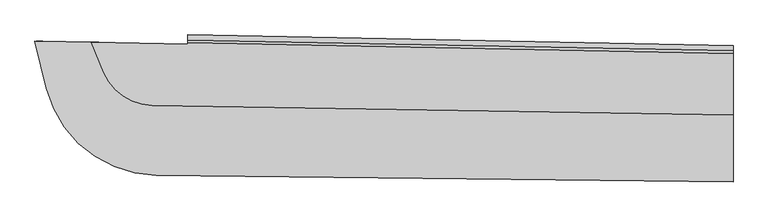
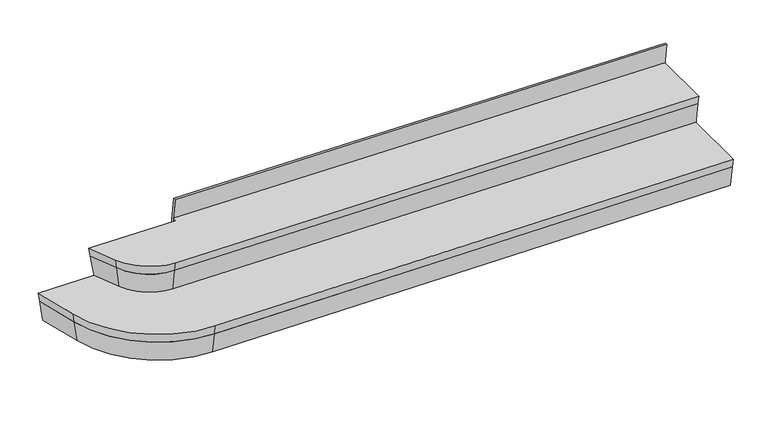
"""IFC4 building model written with IfcOpenShell, lengths in millimetres: stair flight geometry."""

import ifcopenshell
import ifcopenshell.guid

model = None  # the IFC model being written
_history = None  # IfcOwnerHistory: only IFC2X3 demands one
_inside = {}  # id of a spatial element -> (the spatial element, [elements in it])
_under = {}  # id of a project, library or spatial element -> (it, [spatial elements below it])
_declared = {}  # id of a project -> (the project, [libraries it declares])
_typed = {}  # id of a type object -> (the type object, [elements of that type])
_made_of = {}  # id of a material, layer set ... -> (it, [elements and type objects made of it])


def new_model(schema):
    """Start an empty IFC model of exactly this schema.

    Asked for "IFC4X3", IfcOpenShell would pick the latest addendum, in which some entities
    have other attributes; the version numbers below select the first issue.
    IFC2X3 requires an IfcOwnerHistory on every rooted entity: one is made here for all.
    """
    global model, _history
    if schema == "IFC4X3":
        model = ifcopenshell.file(schema_version=(4, 3, 0, 0))
    else:
        model = ifcopenshell.file(schema=schema)
    _inside.clear()
    _under.clear()
    _declared.clear()
    _typed.clear()
    _made_of.clear()
    _history = None
    if model.schema == "IFC2X3":
        org = make("IfcOrganization", Name="unknown")
        user = make(
            "IfcPersonAndOrganization",
            ThePerson=make("IfcPerson", FamilyName="unknown"),
            TheOrganization=org,
        )
        app = make(
            "IfcApplication",
            ApplicationDeveloper=org,
            Version="unknown",
            ApplicationFullName="unknown",
            ApplicationIdentifier="unknown",
        )
        _history = make(
            "IfcOwnerHistory",
            OwningUser=user,
            OwningApplication=app,
            ChangeAction="ADDED",
            CreationDate=0,
        )
    return model


def make(cls, **values):
    """One entity of the class cls with the attributes given. An attribute that is None is left unset."""
    return model.create_entity(
        cls, **{name: value for name, value in values.items() if value is not None}
    )


def rooted(cls, **values):
    """An entity with a GlobalId (a new one), such as an element, a storey or a relation."""
    return make(cls, GlobalId=ifcopenshell.guid.new(), OwnerHistory=_history, **values)


def si_unit(unit_type, name, prefix=None):
    """IfcSIUnit, for example si_unit("LENGTHUNIT", "METRE", prefix="MILLI")."""
    return make("IfcSIUnit", UnitType=unit_type, Prefix=prefix, Name=name)


def assignment(units):
    """IfcUnitAssignment: the units of a project."""
    return None if units is None else make("IfcUnitAssignment", Units=units)


def point(xyz):
    """IfcCartesianPoint."""
    return None if xyz is None else make("IfcCartesianPoint", Coordinates=xyz)


def direction(xyz):
    """IfcDirection."""
    return None if xyz is None else make("IfcDirection", DirectionRatios=xyz)


def frame(location, z_axis=None, x_axis=None):
    """IfcAxis2Placement3D, a coordinate frame: its origin and axes. An axis left out is left unset."""
    return make(
        "IfcAxis2Placement3D",
        Location=point(location),
        Axis=direction(z_axis),
        RefDirection=direction(x_axis),
    )


def origin():
    """The frame at (0, 0, 0) with its axes left unset."""
    return frame((0.0, 0.0, 0.0))


def place(relative_to, where):
    """IfcLocalPlacement: puts the frame where relative to a parent placement (None: the world)."""
    return make(
        "IfcLocalPlacement", PlacementRelTo=relative_to, RelativePlacement=where
    )


def context(
    kind, dimensions, precision=None, world=None, true_north=None, identifier=None
):
    """IfcGeometricRepresentationContext, for example the 3D "Model" context."""
    return make(
        "IfcGeometricRepresentationContext",
        ContextIdentifier=identifier,
        ContextType=kind,
        CoordinateSpaceDimension=dimensions,
        Precision=precision,
        WorldCoordinateSystem=world,
        TrueNorth=true_north,
    )


def project(units=None, contexts=None):
    """IfcProject with its units and contexts."""
    return rooted(
        "IfcProject",
        Name="project",
        RepresentationContexts=contexts,
        UnitsInContext=assignment(units),
    )


def spatial(cls, under=None, at=None, **own):
    """A site, building, storey or space (cls), placed at a placement, below another one or the project."""
    s = rooted(cls, ObjectPlacement=at, **own)
    if under is not None:
        _under.setdefault(under.id(), (under, []))[1].append(s)
    return s


def polyline(points):
    """IfcPolyline through the points."""
    return make("IfcPolyline", Points=[point(p) for p in points])


def circle_curve(where, radius):
    """IfcCircle in the frame where."""
    return make("IfcCircle", Position=where, Radius=radius)


def faces_of(points, faces, orient=None, outer=None):
    """IfcFace entities. A face is a list of loops; a loop is a list of indices into points, from 0.

    orient and outer hold one flag for each loop. By default every Orientation is true, the
    first loop of a face is its IfcFaceOuterBound and the others are IfcFaceBound.
    """
    made = []
    for i, loops in enumerate(faces):
        bounds = []
        for j, loop in enumerate(loops):
            is_outer = j == 0 if outer is None else outer[i][j]
            bounds.append(
                make(
                    "IfcFaceOuterBound" if is_outer else "IfcFaceBound",
                    Bound=make("IfcPolyLoop", Polygon=[points[k] for k in loop]),
                    Orientation=True if orient is None else orient[i][j],
                )
            )
        made.append(make("IfcFace", Bounds=bounds))
    return made


def faceted_brep(points, faces, orient=None, outer=None, voids=None):
    """IfcFacetedBrep: a solid bounded by flat faces; with voids (closed shells), ...WithVoids."""
    shared = [point(p) for p in points]
    hull = make("IfcClosedShell", CfsFaces=faces_of(shared, faces, orient, outer))
    if voids is None:
        return make("IfcFacetedBrep", Outer=hull)
    return make(
        "IfcFacetedBrepWithVoids",
        Outer=hull,
        Voids=[
            make(cls, CfsFaces=faces_of(shared, fs, o, b)) for cls, fs, o, b in voids
        ],
    )


def shape(context_of_items, identifier, shape_type, items):
    """IfcShapeRepresentation: the items that make up one representation, for example the "Body"."""
    return make(
        "IfcShapeRepresentation",
        ContextOfItems=context_of_items,
        RepresentationIdentifier=identifier,
        RepresentationType=shape_type,
        Items=items,
    )


def source(mapping_origin, context_of_items, identifier, shape_type, items):
    """IfcRepresentationMap: a shape defined once, which mapped items show again and again."""
    return make(
        "IfcRepresentationMap",
        MappingOrigin=mapping_origin,
        MappedRepresentation=shape(context_of_items, identifier, shape_type, items),
    )


def transform(
    local_origin,
    x_axis=None,
    y_axis=None,
    z_axis=None,
    scale=None,
    scale2=None,
    scale3=None,
    uniform=True,
):
    """IfcCartesianTransformationOperator3D, or its non-uniform kind. x_axis, y_axis, z_axis: its Axis1, 2, 3."""
    if uniform:
        return make(
            "IfcCartesianTransformationOperator3D",
            Axis1=direction(x_axis),
            Axis2=direction(y_axis),
            LocalOrigin=point(local_origin),
            Scale=scale,
            Axis3=direction(z_axis),
        )
    return make(
        "IfcCartesianTransformationOperator3DnonUniform",
        Axis1=direction(x_axis),
        Axis2=direction(y_axis),
        LocalOrigin=point(local_origin),
        Scale=scale,
        Axis3=direction(z_axis),
        Scale2=scale2,
        Scale3=scale3,
    )


def mapped(mapping_source, mapping_target):
    """IfcMappedItem: shows the shape of a source again, moved by a transform."""
    return make(
        "IfcMappedItem", MappingSource=mapping_source, MappingTarget=mapping_target
    )


def made_of(thing, what):
    """Note that an element or type object is made of a material, layer set ...; save() writes the relation."""
    if what is not None:
        _made_of.setdefault(what.id(), (what, []))[1].append(thing)
    return thing


def element(
    cls,
    number,
    at=None,
    inside=None,
    cuts=None,
    type_object=None,
    material=None,
    context=None,
    identifier="Body",
    shape_type=None,
    held_by="IfcProductDefinitionShape",
    body=None,
    shapes=None,
    **own,
):
    """One element of the class cls, such as IfcWall. Its Tag is "e" and its number.

    at: its placement. inside: the storey or other place that contains it. cuts: it is an
    opening in that element (IfcRelVoidsElement). A single representation is given by context,
    identifier, shape_type and body (its items); several are given by shapes. held_by: the class
    of the entity that holds the representations. save() writes the other relations.
    """
    e = rooted(cls, Tag="e%d" % number, ObjectPlacement=at, **own)
    if body is not None:
        shapes = [shape(context, identifier, shape_type, body)]
    if shapes is not None:
        e.Representation = make(held_by, Representations=shapes)
    if inside is not None:
        _inside.setdefault(inside.id(), (inside, []))[1].append(e)
    if cuts is not None:
        rooted(
            "IfcRelVoidsElement", RelatingBuildingElement=cuts, RelatedOpeningElement=e
        )
    if type_object is not None:
        _typed.setdefault(type_object.id(), (type_object, []))[1].append(e)
    return made_of(e, material)


def aggregate(whole, parts):
    """IfcRelAggregates: a whole, such as a stair, and the parts it consists of."""
    return rooted("IfcRelAggregates", RelatingObject=whole, RelatedObjects=parts)


def save(model, path):
    """Write the relations noted so far, then the file.

    IfcRelAggregates (storeys below a building ...), IfcRelContainedInSpatialStructure (elements
    in a storey), IfcRelDefinesByType, IfcRelAssociatesMaterial and IfcRelDeclares: one each for
    every whole, place, type object, material and project.
    """
    for whole, parts in _under.values():
        aggregate(whole, parts)
    for where, things in _inside.values():
        rooted(
            "IfcRelContainedInSpatialStructure",
            RelatedElements=things,
            RelatingStructure=where,
        )
    for kind, things in _typed.values():
        rooted("IfcRelDefinesByType", RelatedObjects=things, RelatingType=kind)
    for what, things in _made_of.values():
        rooted("IfcRelAssociatesMaterial", RelatedObjects=things, RelatingMaterial=what)
    for by, libraries in _declared.values():
        rooted("IfcRelDeclares", RelatingContext=by, RelatedDefinitions=libraries)
    model.write(path)


def plane_surface(at):
    """IfcPlane: the flat surface through the origin of the frame at, square to its z axis."""
    return make("IfcPlane", Position=at)


def revolved_surface(curve, axis_point, axis_direction):
    """IfcSurfaceOfRevolution: the curve turned about the line through axis_point along axis_direction."""
    return make(
        "IfcSurfaceOfRevolution",
        SweptCurve=make("IfcArbitraryOpenProfileDef", ProfileType="CURVE", Curve=curve),
        AxisPosition=make("IfcAxis1Placement", Location=point(axis_point), Axis=direction(axis_direction)),
    )


def advanced_brep(points, edges, surfaces, faces):
    """IfcAdvancedBrep: a solid bounded by faces that lie on surfaces and meet in shared edges.

    An edge is (start, end): straight between two places in points (the first is 0);
    or (start, end, curve); or (start, end, curve, False) where it runs against its curve.
    A face is (place in surfaces, loops), or (place, loops, False) where it looks against
    its surface's normal. A loop lists edges by number (the first is 1), with a minus sign
    where the edge is run from its end to its start. The first loop is the outer one.
    """
    corners = [point(p) for p in points]
    vertices = [make("IfcVertexPoint", VertexGeometry=c) for c in corners]
    made = []
    for start, end, *more in edges:
        made.append(
            make(
                "IfcEdgeCurve",
                EdgeStart=vertices[start],
                EdgeEnd=vertices[end],
                EdgeGeometry=more[0] if more else make("IfcPolyline", Points=[corners[start], corners[end]]),
                SameSense=more[1] if len(more) > 1 else True,
            )
        )
    hull = []
    for where, loops, *sense in faces:
        bounds = []
        for j, loop in enumerate(loops):
            ring = [make("IfcOrientedEdge", EdgeElement=made[abs(k) - 1], Orientation=k > 0) for k in loop]
            bounds.append(
                make(
                    "IfcFaceOuterBound" if j == 0 else "IfcFaceBound",
                    Bound=make("IfcEdgeLoop", EdgeList=ring),
                    Orientation=True,
                )
            )
        hull.append(make("IfcAdvancedFace", Bounds=bounds, FaceSurface=surfaces[where], SameSense=sense[0] if sense else True))
    return make("IfcAdvancedBrep", Outer=make("IfcClosedShell", CfsFaces=hull))


def stair_flight_8262411b(model_context):
    return source(origin(), model_context, "Body", "SolidModel", [
        advanced_brep(
        [(3116.475141, -21333.6972837, -2319.8333333), (3116.475141, -21326.1962375, -2369.8333333), (274.6327813, -21278.7267637, -2369.8333333), (274.5075205, -21286.2257176, -2319.8333333), (68.2497647, -21138.3189759, -2369.8333333), (61.3206682, -21141.1891017, -2319.8333333), (11.944227, -21002.3853832, -2369.8333333), (3.7590533, -21002.2230703, -2319.8333333), (-299.3478543, -20996.2124278, -2319.8333333), (-242.7511005, -21226.767907, -2319.8333333), (294.4006767, -21653.2227163, -2319.8333333), (3116.475141, -21686.9968157, -2319.8333333), (3116.475141, -21679.4962786, -2369.8333333), (294.4904289, -21645.7232534, -2369.8333333), (-235.4673513, -21224.9798924, -2369.8333333), (-291.5874062, -20996.3663183, -2369.8333333)],
        [
            (0, 1),
            (1, 2),
            (2, 3),
            (3, 0),
            (2, 4, circle_curve(frame((278.4323584, -21051.2584951, -2369.8333333), z_axis=(0.0, 0.0, -1.0), x_axis=(-0.016701437591340063, -0.9998605212640324, 0.0)), 227.5)),
            (4, 5),
            (5, 3, circle_curve(frame((278.4323584, -21051.2584951, -2319.8333333), z_axis=(0.0, 0.0, 1.0), x_axis=(-0.016701437591340063, -0.9998605212640324, 0.0)), 235.0)),
            (4, 6),
            (6, 7),
            (7, 5),
            (7, 8),
            (8, 9),
            (9, 10, circle_curve(frame((301.10218, -21093.2628161, -2319.8333333), z_axis=(0.0, 0.0, 1.0), x_axis=(-0.011966970165477736, -0.9999283932487659, 0.0)), 560.0)),
            (10, 11),
            (11, 0),
            (1, 12),
            (12, 13),
            (13, 14, circle_curve(frame((301.10218, -21093.2628161, -2369.8333333), z_axis=(0.0, 0.0, -1.0), x_axis=(-0.011966970165477736, -0.9999283932487659, 0.0)), 552.5)),
            (14, 15),
            (15, 6),
            (15, 8),
            (11, 12),
            (14, 9),
            (10, 13),
        ],
        [
            plane_surface(frame((3116.475141, -21326.1962375, -2369.8333333), z_axis=(0.01651665877924269, 0.9887984172758469, 0.14834045293024464), x_axis=(-0.9998605212640324, 0.01670143759134549, 0.0))),
            revolved_surface(polyline([(274.6327813, -21278.7267637, -2369.8333333), (274.5075205, -21286.2257176, -2319.8333333)]), (278.4323584, -21051.2584951, -2319.8333333), (0.0, 0.0, -1.0)),
            plane_surface(frame((68.2497647, -21138.3189759, -2369.8333333), z_axis=(0.9136580553713868, 0.37844955790623663, 0.14834045293024464), x_axis=(-0.3826834323650725, 0.923879532511294, 0.0))),
            plane_surface(frame((447.8390625, -21011.0292247, -2319.8333333), z_axis=(0.0, 0.0, 1.0), x_axis=(-0.9998034413854697, 0.01982620976817191, 0.0))),
            plane_surface(frame((447.8390625, -21011.0292247, -2369.8333333), z_axis=(0.0, 0.0, -1.0), x_axis=(0.9998034413854697, -0.01982620976817191, 0.0))),
            plane_surface(frame((3.7590533, -21002.2230703, -2319.8333333), z_axis=(0.01982620976817191, 0.9998034413854697, 0.0), x_axis=(0.0, 0.0, -1.0))),
            plane_surface(frame((3116.475141, -21686.9968157, -2319.8333333), z_axis=(1.0, 0.0, 0.0), x_axis=(0.0, 0.0, -1.0))),
            plane_surface(frame((-235.4673513, -21224.9798924, -2369.8333333), z_axis=(-0.9604219280620687, -0.23576435295011966, -0.14834045293024464), x_axis=(-0.23840194797805941, 0.9711665723243705, 0.0))),
            plane_surface(frame((3116.475141, -21679.4962786, -2369.8333333), z_axis=(-0.011834571830338052, -0.9888655383488912, -0.14834045293024467), x_axis=(-0.9999283932487658, 0.011966970165484585, 0.0))),
            revolved_surface(polyline([(294.4006767, -21653.2227163, -2319.8333333), (294.4904289, -21645.7232534, -2369.8333333)]), (301.10218, -21093.2628161, -2319.8333333), (0.0, 0.0, -1.0)),
        ],
        [
            (0, [[1, 2, 3, 4]]),
            (1, [[-3, 5, 6, 7]]),
            (2, [[-6, 8, 9, 10]]),
            (3, [[11, 12, 13, 14, 15, -4, -7, -10]]),
            (4, [[-2, 16, 17, 18, 19, 20, -8, -5]]),
            (5, [[-11, -9, -20, 21]]),
            (6, [[-15, 22, -16, -1]]),
            (7, [[23, -12, -21, -19]]),
            (8, [[24, -17, -22, -14]]),
            (9, [[-24, -13, -23, -18]]),
        ],
    ),
        advanced_brep(
        [(-291.5874062, -20996.3663183, -2369.8333333), (-277.9854758, -20996.636046, -2369.8333333), (-259.8777635, -20996.9951239, -2486.5), (-273.4796939, -20996.7253962, -2486.5), (-218.4719362, -21220.8078583, -2486.5), (-235.4673513, -21224.9798924, -2369.8333333), (-205.7055278, -21217.6739606, -2486.5), (-222.7009428, -21221.8459947, -2369.8333333), (3116.475141, -21679.4962786, -2369.8333333), (3116.475141, -21661.9950254, -2486.5), (3116.475141, -21648.8486476, -2486.5), (3116.475141, -21666.3499008, -2369.8333333), (294.4904289, -21645.7232534, -2369.8333333), (294.6998509, -21628.2245065, -2486.5), (294.857162, -21615.0800113, -2486.5), (294.64774, -21632.5787582, -2369.8333333)],
        [
            (0, 1),
            (1, 2),
            (2, 3),
            (3, 0),
            (4, 5),
            (5, 0),
            (3, 4),
            (6, 4),
            (2, 6),
            (7, 6),
            (1, 7),
            (5, 7),
            (8, 9),
            (9, 10),
            (10, 11),
            (11, 8),
            (8, 12),
            (12, 13),
            (13, 9),
            (13, 14),
            (14, 10),
            (14, 15),
            (15, 11),
            (15, 12),
            (4, 13, circle_curve(frame((301.10218, -21093.2628161, -2486.5), z_axis=(0.0, 0.0, 1.0), x_axis=(-0.011966970165477736, -0.9999283932487659, 0.0)), 535.0)),
            (12, 5, circle_curve(frame((301.10218, -21093.2628161, -2369.8333333), z_axis=(0.0, 0.0, -1.0), x_axis=(-0.011966970165477736, -0.9999283932487659, 0.0)), 552.5)),
            (6, 14, circle_curve(frame((301.10218, -21093.2628161, -2486.5), z_axis=(0.0, 0.0, 1.0), x_axis=(-0.011966970165477736, -0.9999283932487659, 0.0)), 521.8545635)),
            (7, 15, circle_curve(frame((301.10218, -21093.2628161, -2369.8333333), z_axis=(0.0, 0.0, 1.0), x_axis=(-0.011966970165477736, -0.9999283932487659, 0.0)), 539.3545635)),
        ],
        [
            plane_surface(frame((-299.3478543, -20996.2124278, -2319.8333333), z_axis=(0.01982620976817191, 0.9998034413854697, 0.0), x_axis=(0.9998034413854697, -0.01982620976817191, 0.0))),
            plane_surface(frame((-235.4673513, -21224.9798924, -2369.8333333), z_axis=(-0.9604219280620679, -0.23576435295012266, -0.14834045293024467), x_axis=(-0.23840194797806244, 0.9711665723243698, 0.0))),
            plane_surface(frame((-218.4719362, -21220.8078583, -2486.5), z_axis=(0.0, 0.0, -1.0), x_axis=(-0.23840194797805686, 0.9711665723243711, 0.0))),
            plane_surface(frame((-205.7055278, -21217.6739606, -2486.5), z_axis=(0.9604219280620695, 0.23576435295011616, 0.14834045293024464), x_axis=(-0.23840194797805586, 0.9711665723243713, 0.0))),
            plane_surface(frame((-222.7009428, -21221.8459947, -2369.8333333), z_axis=(0.0, 0.0, 1.0), x_axis=(-0.23840194797805517, 0.9711665723243715, 0.0))),
            plane_surface(frame((3116.475141, -21686.9968157, -2319.8333333), z_axis=(1.0, 0.0, 0.0), x_axis=(0.0, 1.0, 0.0))),
            plane_surface(frame((3116.475141, -21679.4962786, -2369.8333333), z_axis=(-0.011834571830338052, -0.9888655383488912, -0.14834045293024467), x_axis=(-0.9999283932487658, 0.011966970165484585, 0.0))),
            plane_surface(frame((3116.475141, -21661.9950254, -2486.5), z_axis=(0.0, 0.0, -1.0), x_axis=(-0.9999283932487658, 0.01196697016548465, 0.0))),
            plane_surface(frame((3116.475141, -21648.8486476, -2486.5), z_axis=(0.011834571830337265, 0.9888655383488912, 0.14834045293024462), x_axis=(-0.9999283932487658, 0.011966970165483789, 0.0))),
            plane_surface(frame((3116.475141, -21666.3499008, -2369.8333333), z_axis=(0.0, 0.0, 1.0), x_axis=(-0.9999283932487658, 0.01196697016548372, 0.0))),
            revolved_surface(polyline([(294.4904289, -21645.7232534, -2369.8333333), (294.6998509, -21628.2245065, -2486.5)]), (301.10218, -21093.2628161, -2319.8333333), (0.0, 0.0, -1.0)),
            plane_surface(frame((301.10218, -21093.2628161, -2486.5), z_axis=(0.0, 0.0, -1.0000000000000002), x_axis=(-0.011966970165477736, -0.9999283932487659, 0.0))),
            revolved_surface(polyline([(294.857162, -21615.0800113, -2486.5), (294.64774, -21632.5787582, -2369.8333333)]), (301.10218, -21093.2628161, -2319.8333333), (0.0, 0.0, -1.0)),
            plane_surface(frame((301.10218, -21093.2628161, -2369.8333333), z_axis=(0.0, 0.0, 1.0000000000000002), x_axis=(-0.011966970165477736, -0.9999283932487659, 0.0))),
        ],
        [
            (0, [[1, 2, 3, 4]]),
            (1, [[5, 6, -4, 7]]),
            (2, [[8, -7, -3, 9]]),
            (3, [[10, -9, -2, 11]]),
            (4, [[12, -11, -1, -6]]),
            (5, [[13, 14, 15, 16]]),
            (6, [[-13, 17, 18, 19]]),
            (7, [[-14, -19, 20, 21]]),
            (8, [[-15, -21, 22, 23]]),
            (9, [[-16, -23, 24, -17]]),
            (10, [[25, -18, 26, -5]]),
            (11, [[27, -20, -25, -8]]),
            (12, [[28, -22, -27, -10]]),
            (13, [[-26, -24, -28, -12]]),
        ],
    ),
        advanced_brep(
        [(3116.475141, -21351.1997249, -2203.1666667), (3116.475141, -21326.1962375, -2369.8333333), (3116.475141, -21313.0489672, -2369.8333333), (3116.475141, -21338.0524547, -2203.1666667), (274.2152454, -21303.7232767, -2203.1666667), (274.6327813, -21278.7267637, -2369.8333333), (274.852329, -21265.5831607, -2369.8333333), (274.4347931, -21290.5796737, -2203.1666667), (68.2497647, -21138.3189759, -2369.8333333), (45.1527764, -21147.8860617, -2203.1666667), (80.3945644, -21133.2884352, -2369.8333333), (57.2975761, -21142.855521, -2203.1666667), (-15.3396853, -21001.8443403, -2203.1666667), (-0.9933278, -21002.1288301, -2203.1666667), (26.2905845, -21002.669873, -2369.8333333), (11.944227, -21002.3853832, -2369.8333333)],
        [
            (0, 1),
            (1, 2),
            (2, 3),
            (3, 0),
            (0, 4),
            (4, 5),
            (5, 1),
            (5, 6),
            (6, 2),
            (6, 7),
            (7, 3),
            (7, 4),
            (8, 5, circle_curve(frame((278.4323584, -21051.2584951, -2369.8333333), z_axis=(0.0, 0.0, 1.0), x_axis=(-0.016701437591340063, -0.9998605212640324, 0.0)), 227.5)),
            (4, 9, circle_curve(frame((278.4323584, -21051.2584951, -2203.1666667), z_axis=(0.0, 0.0, -1.0), x_axis=(-0.016701437591340063, -0.9998605212640324, 0.0)), 252.5)),
            (9, 8),
            (10, 6, circle_curve(frame((278.4323584, -21051.2584951, -2369.8333333), z_axis=(0.0, 0.0, 1.0), x_axis=(-0.016701437591340063, -0.9998605212640324, 0.0)), 214.3545635)),
            (8, 10),
            (11, 7, circle_curve(frame((278.4323584, -21051.2584951, -2203.1666667), z_axis=(0.0, 0.0, 1.0), x_axis=(-0.016701437591340063, -0.9998605212640324, 0.0)), 239.3545635)),
            (10, 11),
            (11, 9),
            (12, 13),
            (13, 14),
            (14, 15),
            (15, 12),
            (9, 12),
            (15, 8),
            (14, 10),
            (13, 11),
        ],
        [
            plane_surface(frame((3116.475141, -21358.7007711, -2153.1666667), z_axis=(1.0, 0.0, 0.0), x_axis=(0.0, 1.0, 0.0))),
            plane_surface(frame((3116.475141, -21351.1997249, -2203.1666667), z_axis=(-0.01651665877924296, -0.988798417275847, -0.14834045293024464), x_axis=(-0.9998605212640324, 0.016701437591345757, 0.0))),
            plane_surface(frame((3116.475141, -21326.1962375, -2369.8333333), z_axis=(0.0, 0.0, -1.0), x_axis=(-0.9998605212640322, 0.01670143759134701, 0.0))),
            plane_surface(frame((3116.475141, -21313.0489672, -2369.8333333), z_axis=(0.016516658779243524, 0.9887984172758469, 0.14834045293024464), x_axis=(-0.9998605212640324, 0.016701437591346333, 0.0))),
            plane_surface(frame((3116.475141, -21338.0524547, -2203.1666667), z_axis=(0.0, 0.0, 1.0), x_axis=(-0.9998605212640322, 0.016701437591346603, 0.0))),
            revolved_surface(polyline([(274.2152454, -21303.7232767, -2203.1666667), (274.6327813, -21278.7267637, -2369.8333333)]), (278.4323584, -21051.2584951, -2153.1666667), (0.0, 0.0, -1.0)),
            plane_surface(frame((278.4323584, -21051.2584951, -2369.8333333), z_axis=(0.0, 0.0, -1.0), x_axis=(-0.016701437591340063, -0.9998605212640324, 0.0))),
            revolved_surface(polyline([(274.852329, -21265.5831607, -2369.8333333), (274.4347931, -21290.5796737, -2203.1666667)]), (278.4323584, -21051.2584951, -2153.1666667), (0.0, 0.0, -1.0)),
            plane_surface(frame((278.4323584, -21051.2584951, -2203.1666667), z_axis=(0.0, 0.0, 1.0), x_axis=(-0.016701437591340063, -0.9998605212640324, 0.0))),
            plane_surface(frame((-23.524859, -21001.6820274, -2153.1666667), z_axis=(0.01982620976817191, 0.9998034413854697, 0.0), x_axis=(0.9998034413854697, -0.01982620976817191, 0.0))),
            plane_surface(frame((45.1527764, -21147.8860617, -2203.1666667), z_axis=(-0.9136580553713829, -0.37844955790624585, -0.14834045293024467), x_axis=(-0.38268343236508184, 0.9238795325112901, 0.0))),
            plane_surface(frame((68.2497647, -21138.3189759, -2369.8333333), z_axis=(0.0, 0.0, -1.0000000000000002), x_axis=(-0.3826834323650887, 0.9238795325112873, 0.0))),
            plane_surface(frame((80.3945644, -21133.2884352, -2369.8333333), z_axis=(0.9136580553713782, 0.3784495579062569, 0.1483404529302447), x_axis=(-0.382683432365093, 0.9238795325112854, 0.0))),
            plane_surface(frame((57.2975761, -21142.855521, -2203.1666667), z_axis=(0.0, 0.0, 1.0), x_axis=(-0.3826834323650824, 0.9238795325112898, 0.0))),
        ],
        [
            (0, [[1, 2, 3, 4]]),
            (1, [[-1, 5, 6, 7]]),
            (2, [[-2, -7, 8, 9]]),
            (3, [[-3, -9, 10, 11]]),
            (4, [[-4, -11, 12, -5]]),
            (5, [[13, -6, 14, 15]]),
            (6, [[16, -8, -13, 17]]),
            (7, [[18, -10, -16, 19]]),
            (8, [[-14, -12, -18, 20]]),
            (9, [[21, 22, 23, 24]]),
            (10, [[-15, 25, -24, 26]]),
            (11, [[-17, -26, -23, 27]]),
            (12, [[-19, -27, -22, 28]]),
            (13, [[-20, -28, -21, -25]]),
        ],
    ),
        faceted_brep([(447.987759, -21003.5306989, -2036.5), (448.2483832, -20990.3878462, -2036.5), (448.7440385, -20965.3927602, -2203.1666667), (448.4834143, -20978.5356128, -2203.1666667), (3116.475141, -21031.4421757, -2203.1666667), (3116.475141, -21056.4470906, -2036.5), (3116.475141, -21018.2941549, -2203.1666667), (3116.475141, -21043.2990698, -2036.5)], [[[0, 1, 2, 3]], [[4, 5, 0, 3]], [[6, 4, 3, 2]], [[7, 6, 2, 1]], [[5, 7, 1, 0]], [[5, 4, 6, 7]]]),
        advanced_brep(
        [(448.3347177, -20986.0341386, -2153.1666667), (447.8390625, -21011.0292247, -2153.1666667), (-23.524859, -21001.6820274, -2153.1666667), (38.2236799, -21150.7561875, -2153.1666667), (274.0899846, -21311.2222306, -2153.1666667), (3116.475141, -21358.7007711, -2153.1666667), (3116.475141, -21038.9436502, -2153.1666667), (448.4834143, -20978.5356128, -2203.1666667), (3116.475141, -21031.4421757, -2203.1666667), (3116.475141, -21351.1997249, -2203.1666667), (274.2152454, -21303.7232767, -2203.1666667), (45.1527764, -21147.8860617, -2203.1666667), (-15.3396853, -21001.8443403, -2203.1666667), (447.8390625, -21011.0292247, -2203.1666667)],
        [
            (0, 1),
            (1, 2),
            (2, 3),
            (3, 4, circle_curve(frame((278.4323584, -21051.2584951, -2153.1666667), z_axis=(0.0, 0.0, 1.0), x_axis=(-0.016701437591340063, -0.9998605212640324, 0.0)), 260.0)),
            (4, 5),
            (5, 6),
            (6, 0),
            (7, 8),
            (8, 9),
            (9, 10),
            (10, 11, circle_curve(frame((278.4323584, -21051.2584951, -2203.1666667), z_axis=(0.0, 0.0, -1.0), x_axis=(-0.016701437591340063, -0.9998605212640324, 0.0)), 252.5)),
            (11, 12),
            (12, 13),
            (13, 7),
            (1, 13),
            (12, 2),
            (5, 9),
            (8, 6),
            (7, 0),
            (4, 10),
            (3, 11),
        ],
        [
            plane_surface(frame((448.3347177, -20986.0341386, -2153.1666667), z_axis=(0.0, 0.0, 1.0000000000000002), x_axis=(-0.01982620976817053, -0.9998034413854698, 0.0))),
            plane_surface(frame((448.3347177, -20986.0341386, -2203.1666667), z_axis=(0.0, 0.0, -1.0000000000000002), x_axis=(0.01982620976817053, 0.9998034413854698, 0.0))),
            plane_surface(frame((447.8390625, -21011.0292247, -2153.1666667), z_axis=(0.01982620976817191, 0.9998034413854697, 0.0), x_axis=(0.0, 0.0, -1.0))),
            plane_surface(frame((3116.475141, -21358.7007711, -2153.1666667), z_axis=(1.0, 0.0, 0.0), x_axis=(0.0, 0.0, -1.0))),
            plane_surface(frame((3116.475141, -21031.4421757, -2203.1666667), z_axis=(0.01960685957933742, 0.9887419689089191, 0.14834045293024464), x_axis=(-0.9998034413854697, 0.019826209768171583, 0.0))),
            plane_surface(frame((3116.475141, -21351.1997249, -2203.1666667), z_axis=(-0.016516658779242955, -0.9887984172758469, -0.14834045293024464), x_axis=(-0.9998605212640324, 0.016701437591345757, 0.0))),
            revolved_surface(polyline([(274.0899846, -21311.2222306, -2153.1666667), (274.2152454, -21303.7232767, -2203.1666667)]), (278.4323584, -21051.2584951, -2153.1666667), (0.0, 0.0, -1.0)),
            plane_surface(frame((45.1527764, -21147.8860617, -2203.1666667), z_axis=(-0.9136580553713839, -0.37844955790624357, -0.14834045293024464), x_axis=(-0.38268343236507957, 0.9238795325112911, 0.0))),
            plane_surface(frame((448.3347177, -20986.0341386, -2153.1666667), z_axis=(-0.9998034413854698, 0.01982620976817053, 0.0), x_axis=(0.0, 0.0, -1.0))),
        ],
        [
            (0, [[1, 2, 3, 4, 5, 6, 7]]),
            (1, [[8, 9, 10, 11, 12, 13, 14]]),
            (2, [[-2, 15, -13, 16]]),
            (3, [[-6, 17, -9, 18]]),
            (4, [[-18, -8, 19, -7]]),
            (5, [[20, -10, -17, -5]]),
            (6, [[-20, -4, 21, -11]]),
            (7, [[-21, -3, -16, -12]]),
            (8, [[-1, -19, -14, -15]]),
        ],
    ),
    ])


if __name__ == "__main__":
    model = new_model("IFC4")
    model_context = context("Model", 3, world=origin())
    ifc_project = project(units=[si_unit("LENGTHUNIT", "METRE", prefix="MILLI")], contexts=[model_context])
    site = spatial("IfcSite", under=ifc_project)
    building = spatial("IfcBuilding", under=site)
    placement = place(None, origin())
    stair_flight_shape = stair_flight_8262411b(model_context)
    element("IfcStairFlight", 1, at=placement, inside=building, context=model_context, shape_type="MappedRepresentation", body=[
        mapped(stair_flight_shape, transform((0.0, 0.0, 0.0), x_axis=(1.0, 0.0, 0.0), y_axis=(0.0, 1.0, 0.0), z_axis=(0.0, 0.0, 1.0))),
    ])
    save(model, "model.ifc")
